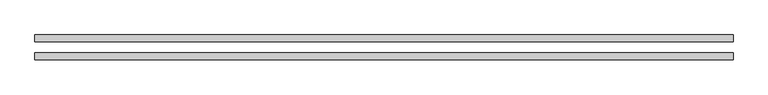
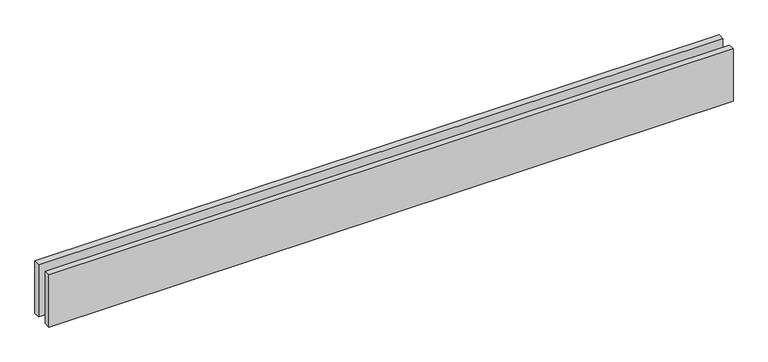
"""IFC4 building model written with IfcOpenShell, lengths in millimetres: proxy geometry."""

from ifc_helpers import new_model, si_unit, origin, origin_with_axes, place, context, project, spatial, polyline, outline, extrude, source, transform, mapped, element, save


def generic_models_b56168a2(model_context):
    return source(origin(), model_context, "Body", "SweptSolid", [
        extrude(outline(polyline([(3101.0173055, -25.0), (3101.0173055, -55.0), (0.0, -55.0), (0.0, -25.0), (3101.0173055, -25.0)])), origin_with_axes(), (0.0, 0.0, 1.0), 250.0),
        extrude(outline(polyline([(3101.0173055, 55.0), (3101.0173055, 25.0), (0.0, 25.0), (0.0, 55.0), (3101.0173055, 55.0)])), origin_with_axes(), (0.0, 0.0, 1.0), 250.0),
    ])


if __name__ == "__main__":
    model = new_model("IFC4")
    model_context = context("Model", 3, world=origin())
    ifc_project = project(units=[si_unit("LENGTHUNIT", "METRE", prefix="MILLI")], contexts=[model_context])
    site = spatial("IfcSite", under=ifc_project)
    building = spatial("IfcBuilding", under=site)
    placement = place(None, origin())
    generic_models_shape = generic_models_b56168a2(model_context)
    element("IfcBuildingElementProxy", 1, Name="Generic Models", at=placement, inside=building, context=model_context, shape_type="MappedRepresentation", body=[
        mapped(generic_models_shape, transform((0.0, 0.0, 0.0), x_axis=(1.0, 0.0, 0.0), y_axis=(0.0, 1.0, 0.0), z_axis=(0.0, 0.0, 1.0))),
    ])
    save(model, "model.ifc")
